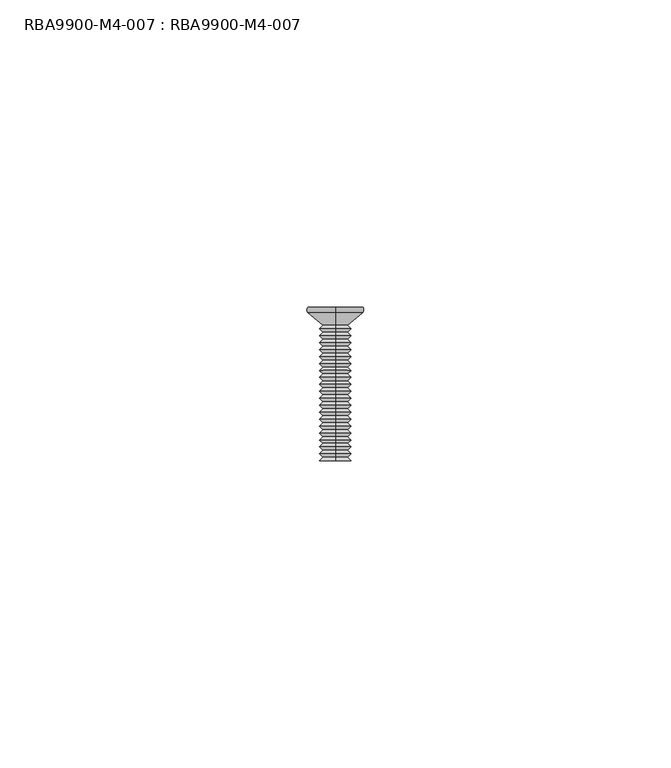
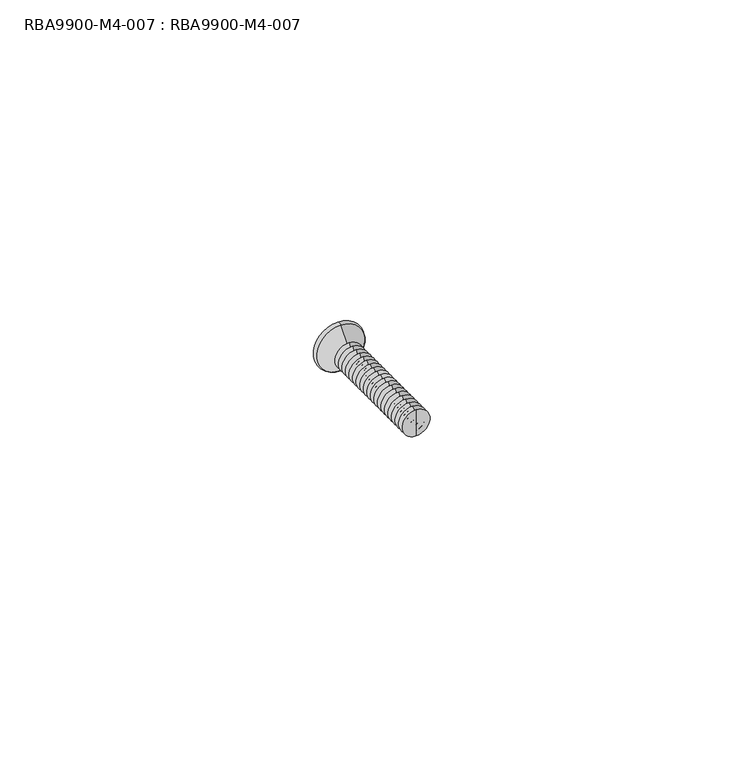
"""IFC4 building model written with IfcOpenShell, lengths in millimetres: proxy geometry, RBA9900-M4-007 : RBA9900-M4-007."""

from ifc_helpers import new_model, si_unit, point, frame, origin, place, context, project, spatial, polyline, circle_curve, ellipse_curve, trimmed, source, transform, mapped, element, save
from ifc_brep_helpers import plane_surface, cylinder_surface, revolved_surface, advanced_brep


def rba9900_m4_007_rba9900_m4_007_027fe544(model_context):
    return source(origin(), model_context, "Body", "AdvancedBrep", [
        advanced_brep(
        [(0.0, 0.0, 4.5), (0.0, 0.0, 1.4433757), (-1.25, 0.0, 0.7216878), (-1.25, 0.0, -0.7216878), (0.0, 0.0, -1.4433757), (0.0, 0.0, -4.5), (0.0, 0.0, 0.0), (0.0, 0.0, -0.4), (-0.4, 0.0, 0.0), (0.0, 0.0, 0.4), (1.25, 0.0, -0.7216878), (1.25, 0.0, 0.7216878), (0.4, 0.0, 0.0), (-1.25, -1.0, 0.7216878), (0.0, -1.0, 1.4433757), (1.25, -1.0, 0.7216878), (1.25, -1.0, -0.7216878), (0.0, -1.0, -1.4433757), (-1.25, -1.0, -0.7216878), (-0.4, -1.0, 0.0), (0.4, -1.0, 0.0), (0.0, -11.4343146, -2.5656854), (0.0, -12.0, -2.0), (0.0, -12.0, 2.0), (0.0, -11.4343146, 2.5656854), (0.0, -10.8686292, 2.0), (0.0, -10.8686292, -2.0), (0.0, -10.3029437, 2.5656854), (0.0, -10.3029437, -2.5656854), (0.0, -9.7372583, 2.0), (0.0, -9.7372583, -2.0), (0.0, -9.1715729, 2.5656854), (0.0, -9.1715729, -2.5656854), (0.0, -8.6058875, 2.0), (0.0, -8.6058875, -2.0), (0.0, -8.040202, 2.5656854), (0.0, -8.040202, -2.5656854), (0.0, -7.4745166, 2.0), (0.0, -7.4745166, -2.0), (0.0, -6.9088312, 2.5656854), (0.0, -6.9088312, -2.5656854), (0.0, -6.3431458, 2.0), (0.0, -6.3431458, -2.0), (0.0, -5.7774603, 2.5656854), (0.0, -5.7774603, -2.5656854), (0.0, -5.2117749, 2.0), (0.0, -5.2117749, -2.0), (0.0, -4.6460895, 2.5656854), (0.0, -4.6460895, -2.5656854), (0.0, -4.0804041, 2.0), (0.0, -4.0804041, -2.0), (0.0, -3.5147186, 2.5656854), (0.0, -3.5147186, -2.5656854), (0.0, -2.9490332, 2.0), (0.0, -2.9490332, -2.0), (0.0, -0.9282922, 4.4373582), (0.0, -0.9282922, -4.4373582), (0.0, -25.0, -2.5549207), (0.0, -25.0, 0.0), (0.0, -25.0, 2.5549207), (0.0, -24.4450793, 2.0), (0.0, -24.4450793, -2.0), (0.0, -23.8793939, 2.5656854), (0.0, -23.8793939, -2.5656854), (0.0, -23.3137085, 2.0), (0.0, -23.3137085, -2.0), (0.0, -22.7480231, 2.5656854), (0.0, -22.7480231, -2.5656854), (0.0, -22.1823376, 2.0), (0.0, -22.1823376, -2.0), (0.0, -21.6166522, 2.5656854), (0.0, -21.6166522, -2.5656854), (0.0, -21.0509668, 2.0), (0.0, -21.0509668, -2.0), (0.0, -20.4852814, 2.5656854), (0.0, -20.4852814, -2.5656854), (0.0, -19.9195959, 2.0), (0.0, -19.9195959, -2.0), (0.0, -19.3539105, 2.5656854), (0.0, -19.3539105, -2.5656854), (0.0, -18.7882251, 2.0), (0.0, -18.7882251, -2.0), (0.0, -18.2225397, 2.5656854), (0.0, -18.2225397, -2.5656854), (0.0, -17.6568542, 2.0), (0.0, -17.6568542, -2.0), (0.0, -17.0911688, 2.5656854), (0.0, -17.0911688, -2.5656854), (0.0, -16.5254834, 2.0), (0.0, -16.5254834, -2.0), (0.0, -15.959798, 2.5656854), (0.0, -15.959798, -2.5656854), (0.0, -15.3941125, 2.0), (0.0, -15.3941125, -2.0), (0.0, -14.8284271, 2.5656854), (0.0, -14.8284271, -2.5656854), (0.0, -14.2627417, 2.0), (0.0, -14.2627417, -2.0), (0.0, -13.6970563, 2.5656854), (0.0, -13.6970563, -2.5656854), (0.0, -13.1313708, 2.0), (0.0, -13.1313708, -2.0), (0.0, -12.5656854, 2.5656854), (0.0, -12.5656854, -2.5656854)],
        [
            (0, 1),
            (1, 2, circle_curve(frame((-1.2824889, 0.0, 2.221336), z_axis=(0.0, 1.0, 0.0), x_axis=(1.0, 0.0, 0.0)), 1.5)),
            (2, 3, circle_curve(frame((-2.5649778, 0.0, 0.0), z_axis=(0.0, 1.0, 0.0), x_axis=(1.0, 0.0, 0.0)), 1.5)),
            (3, 4, circle_curve(frame((-1.2824889, 0.0, -2.221336), z_axis=(0.0, 1.0, 0.0), x_axis=(1.0, 0.0, 0.0)), 1.5)),
            (4, 5),
            (5, 0, circle_curve(frame((0.0, 0.0, 0.0), z_axis=(0.0, 1.0, 0.0), x_axis=(0.0, 0.0, 1.0)), 4.5)),
            (6, 7),
            (7, 8, circle_curve(frame((0.0, 0.0, 0.0), z_axis=(0.0, 1.0, 0.0), x_axis=(1.0, 0.0, 0.0)), 0.4)),
            (8, 9, circle_curve(frame((0.0, 0.0, 0.0), z_axis=(0.0, 1.0, 0.0), x_axis=(1.0, 0.0, 0.0)), 0.4)),
            (9, 6),
            (4, 10, circle_curve(frame((1.2824889, 0.0, -2.221336), z_axis=(0.0, 1.0, 0.0), x_axis=(1.0, 0.0, 0.0)), 1.5)),
            (10, 11, circle_curve(frame((2.5649778, 0.0, 0.0), z_axis=(0.0, 1.0, 0.0), x_axis=(1.0, 0.0, 0.0)), 1.5)),
            (11, 1, circle_curve(frame((1.2824889, 0.0, 2.221336), z_axis=(0.0, 1.0, 0.0), x_axis=(1.0, 0.0, 0.0)), 1.5)),
            (0, 5, circle_curve(frame((0.0, 0.0, 0.0), z_axis=(0.0, 1.0, 0.0), x_axis=(0.0, 0.0, 1.0)), 4.5)),
            (9, 12, circle_curve(frame((0.0, 0.0, 0.0), z_axis=(0.0, 1.0, 0.0), x_axis=(1.0, 0.0, 0.0)), 0.4)),
            (12, 7, circle_curve(frame((0.0, 0.0, 0.0), z_axis=(0.0, 1.0, 0.0), x_axis=(1.0, 0.0, 0.0)), 0.4)),
            (13, 14, circle_curve(frame((-1.2824889, -1.0, 2.221336), z_axis=(0.0, -1.0, 0.0), x_axis=(1.0, 0.0, 0.0)), 1.5)),
            (14, 15, circle_curve(frame((1.2824889, -1.0, 2.221336), z_axis=(0.0, -1.0, 0.0), x_axis=(1.0, 0.0, 0.0)), 1.5)),
            (15, 16, circle_curve(frame((2.5649778, -1.0, 0.0), z_axis=(0.0, -1.0, 0.0), x_axis=(1.0, 0.0, 0.0)), 1.5)),
            (16, 17, circle_curve(frame((1.2824889, -1.0, -2.221336), z_axis=(0.0, -1.0, 0.0), x_axis=(1.0, 0.0, 0.0)), 1.5)),
            (17, 18, circle_curve(frame((-1.2824889, -1.0, -2.221336), z_axis=(0.0, -1.0, 0.0), x_axis=(1.0, 0.0, 0.0)), 1.5)),
            (18, 13, circle_curve(frame((-2.5649778, -1.0, 0.0), z_axis=(0.0, -1.0, 0.0), x_axis=(1.0, 0.0, 0.0)), 1.5)),
            (19, 20, circle_curve(frame((0.0, -1.0, 0.0), z_axis=(0.0, -1.0, 0.0), x_axis=(1.0, 0.0, 0.0)), 0.4)),
            (20, 19, circle_curve(frame((0.0, -1.0, 0.0), z_axis=(0.0, -1.0, 0.0), x_axis=(1.0, 0.0, 0.0)), 0.4)),
            (21, 22),
            (22, 23, circle_curve(frame((0.0, -12.0, 0.0), z_axis=(0.0, 1.0, 0.0), x_axis=(0.0, 0.0, 1.0)), 2.0)),
            (23, 24),
            (24, 21, circle_curve(frame((0.0, -11.4343146, 0.0), z_axis=(0.0, -1.0, 0.0), x_axis=(0.0, 0.0, 1.0)), 2.5656854)),
            (23, 22, circle_curve(frame((0.0, -12.0, 0.0), z_axis=(0.0, 1.0, 0.0), x_axis=(0.0, 0.0, 1.0)), 2.0)),
            (21, 24, circle_curve(frame((0.0, -11.4343146, 0.0), z_axis=(0.0, -1.0, 0.0), x_axis=(0.0, 0.0, 1.0)), 2.5656854)),
            (24, 25),
            (25, 26, circle_curve(frame((0.0, -10.8686292, 0.0), z_axis=(0.0, -1.0, 0.0), x_axis=(0.0, 0.0, 1.0)), 2.0)),
            (26, 21),
            (26, 25, circle_curve(frame((0.0, -10.8686292, 0.0), z_axis=(0.0, -1.0, 0.0), x_axis=(0.0, 0.0, 1.0)), 2.0)),
            (25, 27),
            (27, 28, circle_curve(frame((0.0, -10.3029437, 0.0), z_axis=(0.0, -1.0, 0.0), x_axis=(0.0, 0.0, 1.0)), 2.5656854)),
            (28, 26),
            (28, 27, circle_curve(frame((0.0, -10.3029437, 0.0), z_axis=(0.0, -1.0, 0.0), x_axis=(0.0, 0.0, 1.0)), 2.5656854)),
            (27, 29),
            (29, 30, circle_curve(frame((0.0, -9.7372583, 0.0), z_axis=(0.0, -1.0, 0.0), x_axis=(0.0, 0.0, 1.0)), 2.0)),
            (30, 28),
            (30, 29, circle_curve(frame((0.0, -9.7372583, 0.0), z_axis=(0.0, -1.0, 0.0), x_axis=(0.0, 0.0, 1.0)), 2.0)),
            (29, 31),
            (31, 32, circle_curve(frame((0.0, -9.1715729, 0.0), z_axis=(0.0, -1.0, 0.0), x_axis=(0.0, 0.0, 1.0)), 2.5656854)),
            (32, 30),
            (32, 31, circle_curve(frame((0.0, -9.1715729, 0.0), z_axis=(0.0, -1.0, 0.0), x_axis=(0.0, 0.0, 1.0)), 2.5656854)),
            (31, 33),
            (33, 34, circle_curve(frame((0.0, -8.6058875, 0.0), z_axis=(0.0, -1.0, 0.0), x_axis=(0.0, 0.0, 1.0)), 2.0)),
            (34, 32),
            (34, 33, circle_curve(frame((0.0, -8.6058875, 0.0), z_axis=(0.0, -1.0, 0.0), x_axis=(0.0, 0.0, 1.0)), 2.0)),
            (33, 35),
            (35, 36, circle_curve(frame((0.0, -8.040202, 0.0), z_axis=(0.0, -1.0, 0.0), x_axis=(0.0, 0.0, 1.0)), 2.5656854)),
            (36, 34),
            (36, 35, circle_curve(frame((0.0, -8.040202, 0.0), z_axis=(0.0, -1.0, 0.0), x_axis=(0.0, 0.0, 1.0)), 2.5656854)),
            (35, 37),
            (37, 38, circle_curve(frame((0.0, -7.4745166, 0.0), z_axis=(0.0, -1.0, 0.0), x_axis=(0.0, 0.0, 1.0)), 2.0)),
            (38, 36),
            (38, 37, circle_curve(frame((0.0, -7.4745166, 0.0), z_axis=(0.0, -1.0, 0.0), x_axis=(0.0, 0.0, 1.0)), 2.0)),
            (37, 39),
            (39, 40, circle_curve(frame((0.0, -6.9088312, 0.0), z_axis=(0.0, -1.0, 0.0), x_axis=(0.0, 0.0, 1.0)), 2.5656854)),
            (40, 38),
            (40, 39, circle_curve(frame((0.0, -6.9088312, 0.0), z_axis=(0.0, -1.0, 0.0), x_axis=(0.0, 0.0, 1.0)), 2.5656854)),
            (39, 41),
            (41, 42, circle_curve(frame((0.0, -6.3431458, 0.0), z_axis=(0.0, -1.0, 0.0), x_axis=(0.0, 0.0, 1.0)), 2.0)),
            (42, 40),
            (42, 41, circle_curve(frame((0.0, -6.3431458, 0.0), z_axis=(0.0, -1.0, 0.0), x_axis=(0.0, 0.0, 1.0)), 2.0)),
            (41, 43),
            (43, 44, circle_curve(frame((0.0, -5.7774603, 0.0), z_axis=(0.0, -1.0, 0.0), x_axis=(0.0, 0.0, 1.0)), 2.5656854)),
            (44, 42),
            (44, 43, circle_curve(frame((0.0, -5.7774603, 0.0), z_axis=(0.0, -1.0, 0.0), x_axis=(0.0, 0.0, 1.0)), 2.5656854)),
            (43, 45),
            (45, 46, circle_curve(frame((0.0, -5.2117749, 0.0), z_axis=(0.0, -1.0, 0.0), x_axis=(0.0, 0.0, 1.0)), 2.0)),
            (46, 44),
            (46, 45, circle_curve(frame((0.0, -5.2117749, 0.0), z_axis=(0.0, -1.0, 0.0), x_axis=(0.0, 0.0, 1.0)), 2.0)),
            (45, 47),
            (47, 48, circle_curve(frame((0.0, -4.6460895, 0.0), z_axis=(0.0, -1.0, 0.0), x_axis=(0.0, 0.0, 1.0)), 2.5656854)),
            (48, 46),
            (48, 47, circle_curve(frame((0.0, -4.6460895, 0.0), z_axis=(0.0, -1.0, 0.0), x_axis=(0.0, 0.0, 1.0)), 2.5656854)),
            (47, 49),
            (49, 50, circle_curve(frame((0.0, -4.0804041, 0.0), z_axis=(0.0, -1.0, 0.0), x_axis=(0.0, 0.0, 1.0)), 2.0)),
            (50, 48),
            (50, 49, circle_curve(frame((0.0, -4.0804041, 0.0), z_axis=(0.0, -1.0, 0.0), x_axis=(0.0, 0.0, 1.0)), 2.0)),
            (49, 51),
            (51, 52, circle_curve(frame((0.0, -3.5147186, 0.0), z_axis=(0.0, -1.0, 0.0), x_axis=(0.0, 0.0, 1.0)), 2.5656854)),
            (52, 50),
            (52, 51, circle_curve(frame((0.0, -3.5147186, 0.0), z_axis=(0.0, -1.0, 0.0), x_axis=(0.0, 0.0, 1.0)), 2.5656854)),
            (51, 53),
            (53, 54, circle_curve(frame((0.0, -2.9490332, 0.0), z_axis=(0.0, -1.0, 0.0), x_axis=(0.0, 0.0, 1.0)), 2.0)),
            (54, 52),
            (54, 53, circle_curve(frame((0.0, -2.9490332, 0.0), z_axis=(0.0, -1.0, 0.0), x_axis=(0.0, 0.0, 1.0)), 2.0)),
            (53, 55),
            (55, 56, circle_curve(frame((0.0, -0.9282922, 0.0), z_axis=(0.0, -1.0, 0.0), x_axis=(0.0, 0.0, 1.0)), 4.4373582)),
            (56, 54),
            (56, 55, circle_curve(frame((0.0, -0.9282922, 0.0), z_axis=(0.0, -1.0, 0.0), x_axis=(0.0, 0.0, 1.0)), 4.4373582)),
            (5, 56, circle_curve(frame((0.0, -0.4282922, -3.9373582), z_axis=(-1.0, 0.0, 0.0), x_axis=(0.0, 0.0, -1.0)), 0.7071068)),
            (55, 0, circle_curve(frame((0.0, -0.4282922, 3.9373582), z_axis=(-1.0, 0.0, 0.0), x_axis=(0.0, 0.0, 1.0)), 0.7071068)),
            (57, 58),
            (58, 59),
            (59, 57, circle_curve(frame((0.0, -25.0, 0.0), z_axis=(0.0, -1.0, 0.0), x_axis=(0.0, 0.0, 1.0)), 2.5549207)),
            (57, 59, circle_curve(frame((0.0, -25.0, 0.0), z_axis=(0.0, -1.0, 0.0), x_axis=(0.0, 0.0, 1.0)), 2.5549207)),
            (59, 60),
            (60, 61, circle_curve(frame((0.0, -24.4450793, 0.0), z_axis=(0.0, -1.0, 0.0), x_axis=(0.0, 0.0, 1.0)), 2.0)),
            (61, 57),
            (61, 60, circle_curve(frame((0.0, -24.4450793, 0.0), z_axis=(0.0, -1.0, 0.0), x_axis=(0.0, 0.0, 1.0)), 2.0)),
            (60, 62),
            (62, 63, circle_curve(frame((0.0, -23.8793939, 0.0), z_axis=(0.0, -1.0, 0.0), x_axis=(0.0, 0.0, 1.0)), 2.5656854)),
            (63, 61),
            (63, 62, circle_curve(frame((0.0, -23.8793939, 0.0), z_axis=(0.0, -1.0, 0.0), x_axis=(0.0, 0.0, 1.0)), 2.5656854)),
            (62, 64),
            (64, 65, circle_curve(frame((0.0, -23.3137085, 0.0), z_axis=(0.0, -1.0, 0.0), x_axis=(0.0, 0.0, 1.0)), 2.0)),
            (65, 63),
            (65, 64, circle_curve(frame((0.0, -23.3137085, 0.0), z_axis=(0.0, -1.0, 0.0), x_axis=(0.0, 0.0, 1.0)), 2.0)),
            (64, 66),
            (66, 67, circle_curve(frame((0.0, -22.7480231, 0.0), z_axis=(0.0, -1.0, 0.0), x_axis=(0.0, 0.0, 1.0)), 2.5656854)),
            (67, 65),
            (67, 66, circle_curve(frame((0.0, -22.7480231, 0.0), z_axis=(0.0, -1.0, 0.0), x_axis=(0.0, 0.0, 1.0)), 2.5656854)),
            (66, 68),
            (68, 69, circle_curve(frame((0.0, -22.1823376, 0.0), z_axis=(0.0, -1.0, 0.0), x_axis=(0.0, 0.0, 1.0)), 2.0)),
            (69, 67),
            (69, 68, circle_curve(frame((0.0, -22.1823376, 0.0), z_axis=(0.0, -1.0, 0.0), x_axis=(0.0, 0.0, 1.0)), 2.0)),
            (68, 70),
            (70, 71, circle_curve(frame((0.0, -21.6166522, 0.0), z_axis=(0.0, -1.0, 0.0), x_axis=(0.0, 0.0, 1.0)), 2.5656854)),
            (71, 69),
            (71, 70, circle_curve(frame((0.0, -21.6166522, 0.0), z_axis=(0.0, -1.0, 0.0), x_axis=(0.0, 0.0, 1.0)), 2.5656854)),
            (70, 72),
            (72, 73, circle_curve(frame((0.0, -21.0509668, 0.0), z_axis=(0.0, -1.0, 0.0), x_axis=(0.0, 0.0, 1.0)), 2.0)),
            (73, 71),
            (73, 72, circle_curve(frame((0.0, -21.0509668, 0.0), z_axis=(0.0, -1.0, 0.0), x_axis=(0.0, 0.0, 1.0)), 2.0)),
            (72, 74),
            (74, 75, circle_curve(frame((0.0, -20.4852814, 0.0), z_axis=(0.0, -1.0, 0.0), x_axis=(0.0, 0.0, 1.0)), 2.5656854)),
            (75, 73),
            (75, 74, circle_curve(frame((0.0, -20.4852814, 0.0), z_axis=(0.0, -1.0, 0.0), x_axis=(0.0, 0.0, 1.0)), 2.5656854)),
            (74, 76),
            (76, 77, circle_curve(frame((0.0, -19.9195959, 0.0), z_axis=(0.0, -1.0, 0.0), x_axis=(0.0, 0.0, 1.0)), 2.0)),
            (77, 75),
            (77, 76, circle_curve(frame((0.0, -19.9195959, 0.0), z_axis=(0.0, -1.0, 0.0), x_axis=(0.0, 0.0, 1.0)), 2.0)),
            (76, 78),
            (78, 79, circle_curve(frame((0.0, -19.3539105, 0.0), z_axis=(0.0, -1.0, 0.0), x_axis=(0.0, 0.0, 1.0)), 2.5656854)),
            (79, 77),
            (79, 78, circle_curve(frame((0.0, -19.3539105, 0.0), z_axis=(0.0, -1.0, 0.0), x_axis=(0.0, 0.0, 1.0)), 2.5656854)),
            (78, 80),
            (80, 81, circle_curve(frame((0.0, -18.7882251, 0.0), z_axis=(0.0, -1.0, 0.0), x_axis=(0.0, 0.0, 1.0)), 2.0)),
            (81, 79),
            (81, 80, circle_curve(frame((0.0, -18.7882251, 0.0), z_axis=(0.0, -1.0, 0.0), x_axis=(0.0, 0.0, 1.0)), 2.0)),
            (80, 82),
            (82, 83, circle_curve(frame((0.0, -18.2225397, 0.0), z_axis=(0.0, -1.0, 0.0), x_axis=(0.0, 0.0, 1.0)), 2.5656854)),
            (83, 81),
            (83, 82, circle_curve(frame((0.0, -18.2225397, 0.0), z_axis=(0.0, -1.0, 0.0), x_axis=(0.0, 0.0, 1.0)), 2.5656854)),
            (82, 84),
            (84, 85, circle_curve(frame((0.0, -17.6568542, 0.0), z_axis=(0.0, -1.0, 0.0), x_axis=(0.0, 0.0, 1.0)), 2.0)),
            (85, 83),
            (85, 84, circle_curve(frame((0.0, -17.6568542, 0.0), z_axis=(0.0, -1.0, 0.0), x_axis=(0.0, 0.0, 1.0)), 2.0)),
            (84, 86),
            (86, 87, circle_curve(frame((0.0, -17.0911688, 0.0), z_axis=(0.0, -1.0, 0.0), x_axis=(0.0, 0.0, 1.0)), 2.5656854)),
            (87, 85),
            (87, 86, circle_curve(frame((0.0, -17.0911688, 0.0), z_axis=(0.0, -1.0, 0.0), x_axis=(0.0, 0.0, 1.0)), 2.5656854)),
            (86, 88),
            (88, 89, circle_curve(frame((0.0, -16.5254834, 0.0), z_axis=(0.0, -1.0, 0.0), x_axis=(0.0, 0.0, 1.0)), 2.0)),
            (89, 87),
            (89, 88, circle_curve(frame((0.0, -16.5254834, 0.0), z_axis=(0.0, -1.0, 0.0), x_axis=(0.0, 0.0, 1.0)), 2.0)),
            (88, 90),
            (90, 91, circle_curve(frame((0.0, -15.959798, 0.0), z_axis=(0.0, -1.0, 0.0), x_axis=(0.0, 0.0, 1.0)), 2.5656854)),
            (91, 89),
            (91, 90, circle_curve(frame((0.0, -15.959798, 0.0), z_axis=(0.0, -1.0, 0.0), x_axis=(0.0, 0.0, 1.0)), 2.5656854)),
            (90, 92),
            (92, 93, circle_curve(frame((0.0, -15.3941125, 0.0), z_axis=(0.0, -1.0, 0.0), x_axis=(0.0, 0.0, 1.0)), 2.0)),
            (93, 91),
            (93, 92, circle_curve(frame((0.0, -15.3941125, 0.0), z_axis=(0.0, -1.0, 0.0), x_axis=(0.0, 0.0, 1.0)), 2.0)),
            (92, 94),
            (94, 95, circle_curve(frame((0.0, -14.8284271, 0.0), z_axis=(0.0, -1.0, 0.0), x_axis=(0.0, 0.0, 1.0)), 2.5656854)),
            (95, 93),
            (95, 94, circle_curve(frame((0.0, -14.8284271, 0.0), z_axis=(0.0, -1.0, 0.0), x_axis=(0.0, 0.0, 1.0)), 2.5656854)),
            (94, 96),
            (96, 97, circle_curve(frame((0.0, -14.2627417, 0.0), z_axis=(0.0, -1.0, 0.0), x_axis=(0.0, 0.0, 1.0)), 2.0)),
            (97, 95),
            (97, 96, circle_curve(frame((0.0, -14.2627417, 0.0), z_axis=(0.0, -1.0, 0.0), x_axis=(0.0, 0.0, 1.0)), 2.0)),
            (96, 98),
            (98, 99, circle_curve(frame((0.0, -13.6970563, 0.0), z_axis=(0.0, -1.0, 0.0), x_axis=(0.0, 0.0, 1.0)), 2.5656854)),
            (99, 97),
            (99, 98, circle_curve(frame((0.0, -13.6970563, 0.0), z_axis=(0.0, -1.0, 0.0), x_axis=(0.0, 0.0, 1.0)), 2.5656854)),
            (98, 100),
            (100, 101, circle_curve(frame((0.0, -13.1313708, 0.0), z_axis=(0.0, -1.0, 0.0), x_axis=(0.0, 0.0, 1.0)), 2.0)),
            (101, 99),
            (101, 100, circle_curve(frame((0.0, -13.1313708, 0.0), z_axis=(0.0, -1.0, 0.0), x_axis=(0.0, 0.0, 1.0)), 2.0)),
            (100, 102),
            (102, 103, circle_curve(frame((0.0, -12.5656854, 0.0), z_axis=(0.0, -1.0, 0.0), x_axis=(0.0, 0.0, 1.0)), 2.5656854)),
            (103, 101),
            (103, 102, circle_curve(frame((0.0, -12.5656854, 0.0), z_axis=(0.0, -1.0, 0.0), x_axis=(0.0, 0.0, 1.0)), 2.5656854)),
            (22, 103),
            (102, 23),
            (20, 12),
            (8, 19),
            (18, 3),
            (2, 13),
            (17, 4),
            (16, 10),
            (15, 11),
            (14, 1),
        ],
        [
            plane_surface(frame((0.0, 0.0, 0.0), z_axis=(0.0, 1.0, 0.0), x_axis=(0.0, 0.0, 1.0))),
            plane_surface(frame((0.4, -1.0, 0.0), z_axis=(0.0, 1.0, 0.0), x_axis=(0.0, 0.0, 1.0))),
            revolved_surface(polyline([(0.0, -12.0, 2.0), (0.0, -11.4343146, 2.5656854)]), (0.0, 0.0, 0.0), (0.0, 1.0, 0.0)),
            revolved_surface(polyline([(0.0, -11.4343146, 2.5656854), (0.0, -10.8686292, 2.0)]), (0.0, 0.0, 0.0), (0.0, 1.0, 0.0)),
            revolved_surface(polyline([(0.0, -10.8686292, 2.0), (0.0, -10.3029437, 2.5656854)]), (0.0, 0.0, 0.0), (0.0, 1.0, 0.0)),
            revolved_surface(polyline([(0.0, -10.3029437, 2.5656854), (0.0, -9.7372583, 2.0)]), (0.0, 0.0, 0.0), (0.0, 1.0, 0.0)),
            revolved_surface(polyline([(0.0, -9.7372583, 2.0), (0.0, -9.1715729, 2.5656854)]), (0.0, 0.0, 0.0), (0.0, 1.0, 0.0)),
            revolved_surface(polyline([(0.0, -9.1715729, 2.5656854), (0.0, -8.6058875, 2.0)]), (0.0, 0.0, 0.0), (0.0, 1.0, 0.0)),
            revolved_surface(polyline([(0.0, -8.6058875, 2.0), (0.0, -8.040202, 2.5656854)]), (0.0, 0.0, 0.0), (0.0, 1.0, 0.0)),
            revolved_surface(polyline([(0.0, -8.040202, 2.5656854), (0.0, -7.4745166, 2.0)]), (0.0, 0.0, 0.0), (0.0, 1.0, 0.0)),
            revolved_surface(polyline([(0.0, -7.4745166, 2.0), (0.0, -6.9088312, 2.5656854)]), (0.0, 0.0, 0.0), (0.0, 1.0, 0.0)),
            revolved_surface(polyline([(0.0, -6.9088312, 2.5656854), (0.0, -6.3431458, 2.0)]), (0.0, 0.0, 0.0), (0.0, 1.0, 0.0)),
            revolved_surface(polyline([(0.0, -6.3431458, 2.0), (0.0, -5.7774603, 2.5656854)]), (0.0, 0.0, 0.0), (0.0, 1.0, 0.0)),
            revolved_surface(polyline([(0.0, -5.7774603, 2.5656854), (0.0, -5.2117749, 2.0)]), (0.0, 0.0, 0.0), (0.0, 1.0, 0.0)),
            revolved_surface(polyline([(0.0, -5.2117749, 2.0), (0.0, -4.6460895, 2.5656854)]), (0.0, 0.0, 0.0), (0.0, 1.0, 0.0)),
            revolved_surface(polyline([(0.0, -4.6460895, 2.5656854), (0.0, -4.0804041, 2.0)]), (0.0, 0.0, 0.0), (0.0, 1.0, 0.0)),
            revolved_surface(polyline([(0.0, -4.0804041, 2.0), (0.0, -3.5147186, 2.5656854)]), (0.0, 0.0, 0.0), (0.0, 1.0, 0.0)),
            revolved_surface(polyline([(0.0, -3.5147186, 2.5656854), (0.0, -2.9490332, 2.0)]), (0.0, 0.0, 0.0), (0.0, 1.0, 0.0)),
            revolved_surface(polyline([(0.0, -2.9490332, 2.0), (0.0, -0.9282922, 4.4373582)]), (0.0, 0.0, 0.0), (0.0, 1.0, 0.0)),
            revolved_surface(trimmed(ellipse_curve(frame((0.0, -0.4282922, 3.9373582), z_axis=(-1.0, 0.0, 0.0), x_axis=(0.0, 0.0, 1.0)), 0.7071068, 0.7071068), [point((0.0, -0.9282922, 4.4373582))], [point((0.0, 0.0, 4.5))], True, "CARTESIAN"), (0.0, 0.0, 0.0), (0.0, 1.0, 0.0)),
            plane_surface(frame((0.0, -25.0, 0.0), z_axis=(0.0, -1.0, 0.0), x_axis=(0.0, 0.0, 1.0))),
            revolved_surface(polyline([(0.0, -25.0, 2.5549207), (0.0, -24.4450793, 2.0)]), (0.0, 0.0, 0.0), (0.0, 1.0, 0.0)),
            revolved_surface(polyline([(0.0, -24.4450793, 2.0), (0.0, -23.8793939, 2.5656854)]), (0.0, 0.0, 0.0), (0.0, 1.0, 0.0)),
            revolved_surface(polyline([(0.0, -23.8793939, 2.5656854), (0.0, -23.3137085, 2.0)]), (0.0, 0.0, 0.0), (0.0, 1.0, 0.0)),
            revolved_surface(polyline([(0.0, -23.3137085, 2.0), (0.0, -22.7480231, 2.5656854)]), (0.0, 0.0, 0.0), (0.0, 1.0, 0.0)),
            revolved_surface(polyline([(0.0, -22.7480231, 2.5656854), (0.0, -22.1823376, 2.0)]), (0.0, 0.0, 0.0), (0.0, 1.0, 0.0)),
            revolved_surface(polyline([(0.0, -22.1823376, 2.0), (0.0, -21.6166522, 2.5656854)]), (0.0, 0.0, 0.0), (0.0, 1.0, 0.0)),
            revolved_surface(polyline([(0.0, -21.6166522, 2.5656854), (0.0, -21.0509668, 2.0)]), (0.0, 0.0, 0.0), (0.0, 1.0, 0.0)),
            revolved_surface(polyline([(0.0, -21.0509668, 2.0), (0.0, -20.4852814, 2.5656854)]), (0.0, 0.0, 0.0), (0.0, 1.0, 0.0)),
            revolved_surface(polyline([(0.0, -20.4852814, 2.5656854), (0.0, -19.9195959, 2.0)]), (0.0, 0.0, 0.0), (0.0, 1.0, 0.0)),
            revolved_surface(polyline([(0.0, -19.9195959, 2.0), (0.0, -19.3539105, 2.5656854)]), (0.0, 0.0, 0.0), (0.0, 1.0, 0.0)),
            revolved_surface(polyline([(0.0, -19.3539105, 2.5656854), (0.0, -18.7882251, 2.0)]), (0.0, 0.0, 0.0), (0.0, 1.0, 0.0)),
            revolved_surface(polyline([(0.0, -18.7882251, 2.0), (0.0, -18.2225397, 2.5656854)]), (0.0, 0.0, 0.0), (0.0, 1.0, 0.0)),
            revolved_surface(polyline([(0.0, -18.2225397, 2.5656854), (0.0, -17.6568542, 2.0)]), (0.0, 0.0, 0.0), (0.0, 1.0, 0.0)),
            revolved_surface(polyline([(0.0, -17.6568542, 2.0), (0.0, -17.0911688, 2.5656854)]), (0.0, 0.0, 0.0), (0.0, 1.0, 0.0)),
            revolved_surface(polyline([(0.0, -17.0911688, 2.5656854), (0.0, -16.5254834, 2.0)]), (0.0, 0.0, 0.0), (0.0, 1.0, 0.0)),
            revolved_surface(polyline([(0.0, -16.5254834, 2.0), (0.0, -15.959798, 2.5656854)]), (0.0, 0.0, 0.0), (0.0, 1.0, 0.0)),
            revolved_surface(polyline([(0.0, -15.959798, 2.5656854), (0.0, -15.3941125, 2.0)]), (0.0, 0.0, 0.0), (0.0, 1.0, 0.0)),
            revolved_surface(polyline([(0.0, -15.3941125, 2.0), (0.0, -14.8284271, 2.5656854)]), (0.0, 0.0, 0.0), (0.0, 1.0, 0.0)),
            revolved_surface(polyline([(0.0, -14.8284271, 2.5656854), (0.0, -14.2627417, 2.0)]), (0.0, 0.0, 0.0), (0.0, 1.0, 0.0)),
            revolved_surface(polyline([(0.0, -14.2627417, 2.0), (0.0, -13.6970563, 2.5656854)]), (0.0, 0.0, 0.0), (0.0, 1.0, 0.0)),
            revolved_surface(polyline([(0.0, -13.6970563, 2.5656854), (0.0, -13.1313708, 2.0)]), (0.0, 0.0, 0.0), (0.0, 1.0, 0.0)),
            revolved_surface(polyline([(0.0, -13.1313708, 2.0), (0.0, -12.5656854, 2.5656854)]), (0.0, 0.0, 0.0), (0.0, 1.0, 0.0)),
            revolved_surface(polyline([(0.0, -12.5656854, 2.5656854), (0.0, -12.0, 2.0)]), (0.0, 0.0, 0.0), (0.0, 1.0, 0.0)),
            cylinder_surface(frame((0.0, -1.0, 0.0), z_axis=(0.0, -1.0, 0.0), x_axis=(1.0, 0.0, 0.0)), 0.4),
            cylinder_surface(frame((-2.5649778, 0.0, 0.0), z_axis=(0.0, -1.0, 0.0), x_axis=(1.0, 0.0, 0.0)), 1.5),
            cylinder_surface(frame((-1.2824889, 0.0, -2.221336), z_axis=(0.0, -1.0, 0.0), x_axis=(1.0, 0.0, 0.0)), 1.5),
            cylinder_surface(frame((1.2824889, 0.0, -2.221336), z_axis=(0.0, -1.0, 0.0), x_axis=(1.0, 0.0, 0.0)), 1.5),
            cylinder_surface(frame((2.5649778, 0.0, 0.0), z_axis=(0.0, -1.0, 0.0), x_axis=(1.0, 0.0, 0.0)), 1.5),
            cylinder_surface(frame((1.2824889, 0.0, 2.221336), z_axis=(0.0, -1.0, 0.0), x_axis=(1.0, 0.0, 0.0)), 1.5),
            cylinder_surface(frame((-1.2824889, 0.0, 2.221336), z_axis=(0.0, -1.0, 0.0), x_axis=(1.0, 0.0, 0.0)), 1.5),
        ],
        [
            (0, [[1, 2, 3, 4, 5, 6]]),
            (0, [[7, 8, 9, 10]]),
            (0, [[-5, 11, 12, 13, -1, 14]]),
            (0, [[15, 16, -7, -10]]),
            (1, [[17, 18, 19, 20, 21, 22], [23, 24]]),
            (2, [[25, 26, 27, 28]]),
            (2, [[29, -25, 30, -27]]),
            (3, [[31, 32, 33, -28]]),
            (3, [[-33, 34, -31, -30]]),
            (4, [[35, 36, 37, -32]]),
            (4, [[-37, 38, -35, -34]]),
            (5, [[39, 40, 41, -36]]),
            (5, [[-41, 42, -39, -38]]),
            (6, [[43, 44, 45, -40]]),
            (6, [[-45, 46, -43, -42]]),
            (7, [[47, 48, 49, -44]]),
            (7, [[-49, 50, -47, -46]]),
            (8, [[51, 52, 53, -48]]),
            (8, [[-53, 54, -51, -50]]),
            (9, [[55, 56, 57, -52]]),
            (9, [[-57, 58, -55, -54]]),
            (10, [[59, 60, 61, -56]]),
            (10, [[-61, 62, -59, -58]]),
            (11, [[63, 64, 65, -60]]),
            (11, [[-65, 66, -63, -62]]),
            (12, [[67, 68, 69, -64]]),
            (12, [[-69, 70, -67, -66]]),
            (13, [[71, 72, 73, -68]]),
            (13, [[-73, 74, -71, -70]]),
            (14, [[75, 76, 77, -72]]),
            (14, [[-77, 78, -75, -74]]),
            (15, [[79, 80, 81, -76]]),
            (15, [[-81, 82, -79, -78]]),
            (16, [[83, 84, 85, -80]]),
            (16, [[-85, 86, -83, -82]]),
            (17, [[87, 88, 89, -84]]),
            (17, [[-89, 90, -87, -86]]),
            (18, [[91, 92, 93, -88]]),
            (18, [[-93, 94, -91, -90]]),
            (19, [[95, -92, 96, -6]]),
            (19, [[-96, -94, -95, -14]]),
            (20, [[97, 98, 99]]),
            (20, [[-97, 100, -98]]),
            (21, [[101, 102, 103, -99]]),
            (21, [[-103, 104, -101, -100]]),
            (22, [[105, 106, 107, -102]]),
            (22, [[-107, 108, -105, -104]]),
            (23, [[109, 110, 111, -106]]),
            (23, [[-111, 112, -109, -108]]),
            (24, [[113, 114, 115, -110]]),
            (24, [[-115, 116, -113, -112]]),
            (25, [[117, 118, 119, -114]]),
            (25, [[-119, 120, -117, -116]]),
            (26, [[121, 122, 123, -118]]),
            (26, [[-123, 124, -121, -120]]),
            (27, [[125, 126, 127, -122]]),
            (27, [[-127, 128, -125, -124]]),
            (28, [[129, 130, 131, -126]]),
            (28, [[-131, 132, -129, -128]]),
            (29, [[133, 134, 135, -130]]),
            (29, [[-135, 136, -133, -132]]),
            (30, [[137, 138, 139, -134]]),
            (30, [[-139, 140, -137, -136]]),
            (31, [[141, 142, 143, -138]]),
            (31, [[-143, 144, -141, -140]]),
            (32, [[145, 146, 147, -142]]),
            (32, [[-147, 148, -145, -144]]),
            (33, [[149, 150, 151, -146]]),
            (33, [[-151, 152, -149, -148]]),
            (34, [[153, 154, 155, -150]]),
            (34, [[-155, 156, -153, -152]]),
            (35, [[157, 158, 159, -154]]),
            (35, [[-159, 160, -157, -156]]),
            (36, [[161, 162, 163, -158]]),
            (36, [[-163, 164, -161, -160]]),
            (37, [[165, 166, 167, -162]]),
            (37, [[-167, 168, -165, -164]]),
            (38, [[169, 170, 171, -166]]),
            (38, [[-171, 172, -169, -168]]),
            (39, [[173, 174, 175, -170]]),
            (39, [[-175, 176, -173, -172]]),
            (40, [[177, 178, 179, -174]]),
            (40, [[-179, 180, -177, -176]]),
            (41, [[181, 182, 183, -178]]),
            (41, [[-183, 184, -181, -180]]),
            (42, [[185, 186, 187, -182]]),
            (42, [[-187, 188, -185, -184]]),
            (43, [[189, -186, 190, -26]]),
            (43, [[-190, -188, -189, -29]]),
            (44, [[191, -15, -9, 192, -24]]),
            (44, [[-192, -8, -16, -191, -23]]),
            (45, [[193, -3, 194, -22]]),
            (46, [[195, -4, -193, -21]]),
            (47, [[196, -11, -195, -20]]),
            (48, [[197, -12, -196, -19]]),
            (49, [[198, -13, -197, -18]]),
            (50, [[-194, -2, -198, -17]]),
        ],
    ),
    ])


if __name__ == "__main__":
    model = new_model("IFC4")
    model_context = context("Model", 3, world=origin())
    ifc_project = project(units=[si_unit("LENGTHUNIT", "METRE", prefix="MILLI")], contexts=[model_context])
    site = spatial("IfcSite", under=ifc_project)
    building = spatial("IfcBuilding", under=site)
    placement = place(None, origin())
    rba9900_m4_007_rba9900_m4_007_shape = rba9900_m4_007_rba9900_m4_007_027fe544(model_context)
    element("IfcBuildingElementProxy", 1, Name="RBA9900-M4-007 : RBA9900-M4-007", ObjectType="RBA9900-M4-007 : RBA9900-M4-007", at=placement, inside=building, context=model_context, shape_type="MappedRepresentation", body=[
        mapped(rba9900_m4_007_rba9900_m4_007_shape, transform((0.0, 0.0, 0.0), x_axis=(1.0, 0.0, 0.0), y_axis=(0.0, 1.0, 0.0), z_axis=(0.0, 0.0, 1.0))),
    ])
    save(model, "model.ifc")
